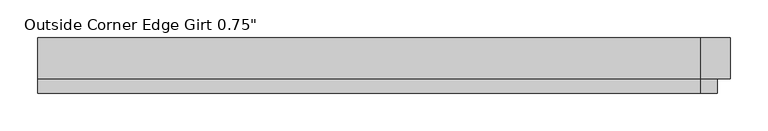
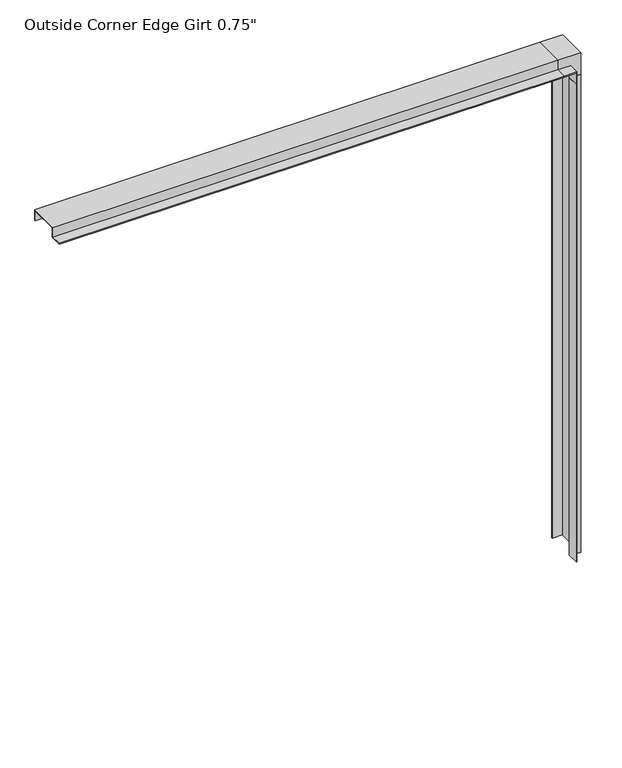
"""IFC4 building model written with IfcOpenShell, lengths in millimetres: proxy geometry."""

from ifc_helpers import new_model, si_unit, frame, origin, place, context, project, spatial, polyline, outline, extrude, faceted_brep, source, transform, mapped, element, save


def proxy_c63a1a71(model_context):
    return source(origin(), model_context, "Body", "SolidModel", [
        extrude(outline(polyline([(171.475, -46.0559645), (171.475, -25.4), (188.9125, -25.4), (188.9125, 25.4), (171.475, 25.4), (171.475, 27.0129), (190.5254, 27.0129), (190.5254, -27.0129), (173.0883, -27.0129), (173.0883, -46.0559645), (171.475, -46.0559645)])), frame((0.0, 0.0, -725.4875), z_axis=(0.0, 0.0, 1.0), x_axis=(1.0, 0.0, 0.0)), (0.0, 0.0, 1.0), 876.3),
        extrude(outline(polyline([(-46.0559645, 171.475), (-46.0559645, 173.0883), (-27.0129, 173.0883), (-27.0129, 190.5254), (27.0129, 190.5254), (27.0129, 171.475), (25.4, 171.475), (25.4, 188.9125), (-25.4, 188.9125), (-25.4, 171.475), (-46.0559645, 171.475)])), frame((-725.4875, 0.0, 0.0), z_axis=(1.0, 0.0, 0.0), x_axis=(0.0, 1.0, 0.0)), (0.0, 0.0, 1.0), 876.3),
        faceted_brep([(150.8125, -25.4, 171.475), (150.8125, -46.0559645, 171.475), (150.8125, -46.0559645, 173.0883), (150.8125, -27.0129, 173.0883), (150.8125, -27.0129, 190.5254), (150.8125, 27.0129, 190.5254), (150.8125, 27.0129, 171.475), (150.8125, 25.4, 171.475), (150.8125, 25.4, 188.9125), (150.8125, -25.4, 188.9125), (171.475, -25.4, 171.475), (171.475, -46.0559645, 171.475), (171.475, -46.0559645, 150.8125), (173.0883, -46.0559645, 150.8125), (173.0883, -46.0559645, 173.0883), (173.0883, -27.0129, 173.0883), (173.0883, -27.0129, 150.8125), (190.5254, -27.0129, 150.8125), (190.5254, -27.0129, 190.5254), (190.5254, 27.0129, 190.5254), (190.5254, 27.0129, 150.8125), (171.475, 27.0129, 150.8125), (171.475, 27.0129, 171.475), (171.475, 25.4, 171.475), (171.475, 25.4, 150.8125), (188.9125, 25.4, 150.8125), (188.9125, 25.4, 188.9125), (188.9125, -25.4, 188.9125), (188.9125, -25.4, 150.8125), (171.475, -25.4, 150.8125)], [[[0, 1, 2, 3, 4, 5, 6, 7, 8, 9]], [[0, 10, 11, 1]], [[1, 11, 12, 13, 14, 2]], [[2, 14, 15, 3]], [[3, 15, 16, 17, 18, 4]], [[4, 18, 19, 5]], [[5, 19, 20, 21, 22, 6]], [[6, 22, 23, 7]], [[7, 23, 24, 25, 26, 8]], [[8, 26, 27, 9]], [[9, 27, 28, 29, 10, 0]], [[29, 28, 25, 24, 21, 20, 17, 16, 13, 12]], [[10, 29, 12, 11]], [[14, 13, 16, 15]], [[18, 17, 20, 19]], [[22, 21, 24, 23]], [[26, 25, 28, 27]]]),
    ])


if __name__ == "__main__":
    model = new_model("IFC4")
    model_context = context("Model", 3, world=origin())
    ifc_project = project(units=[si_unit("LENGTHUNIT", "METRE", prefix="MILLI")], contexts=[model_context])
    site = spatial("IfcSite", under=ifc_project)
    building = spatial("IfcBuilding", under=site)
    placement = place(None, origin())
    proxy_shape = proxy_c63a1a71(model_context)
    element("IfcBuildingElementProxy", 1, Name="Outside Corner Edge Girt 0.75\"", ObjectType="Outside Corner Edge Girt 0.75\"", at=placement, inside=building, context=model_context, shape_type="MappedRepresentation", body=[
        mapped(proxy_shape, transform((0.0, 0.0, 0.0), x_axis=(1.0, 0.0, 0.0), y_axis=(0.0, 1.0, 0.0), z_axis=(0.0, 0.0, 1.0))),
    ])
    save(model, "model.ifc")
